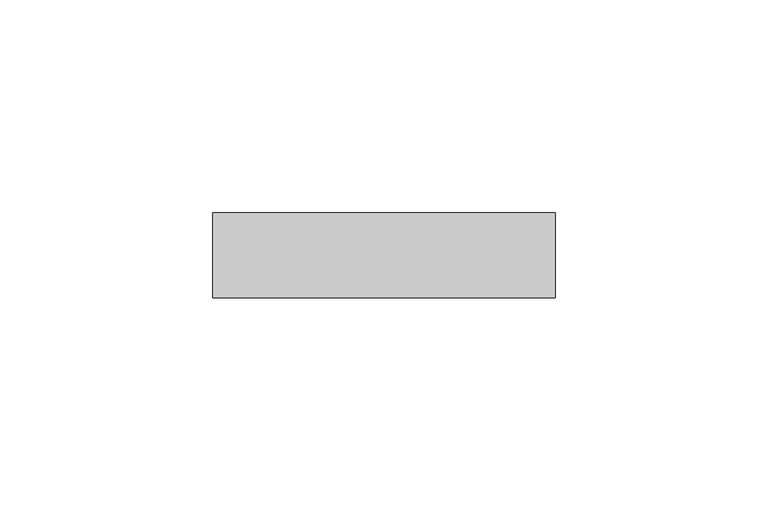
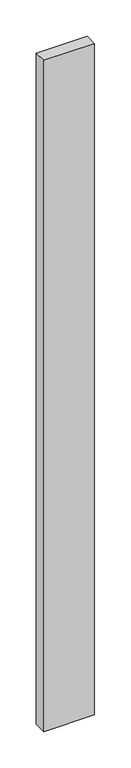
"""IFC4 building model written with IfcOpenShell, lengths in millimetres: plate geometry."""

from ifc_helpers import new_model, si_unit, origin, origin_with_axes, place, context, project, spatial, polyline, outline, extrude, source, transform, mapped, element, save


def plate_573263df(model_context):
    return source(origin(), model_context, "Body", "SweptSolid", [
        extrude(outline(polyline([(40.20232, 20.0), (-40.20232, 20.0), (-40.20232, 40.0), (40.20232, 40.0), (40.20232, 20.0)])), origin_with_axes(), (0.0, 0.0, 1.0), 1125.0),
    ])


if __name__ == "__main__":
    model = new_model("IFC4")
    model_context = context("Model", 3, world=origin())
    ifc_project = project(units=[si_unit("LENGTHUNIT", "METRE", prefix="MILLI")], contexts=[model_context])
    site = spatial("IfcSite", under=ifc_project)
    building = spatial("IfcBuilding", under=site)
    placement = place(None, origin())
    plate_shape = plate_573263df(model_context)
    element("IfcPlate", 1, at=placement, inside=building, context=model_context, shape_type="MappedRepresentation", body=[
        mapped(plate_shape, transform((0.0, 0.0, 0.0), x_axis=(1.0, 0.0, 0.0), y_axis=(0.0, 1.0, 0.0), z_axis=(0.0, 0.0, 1.0))),
    ])
    save(model, "model.ifc")
